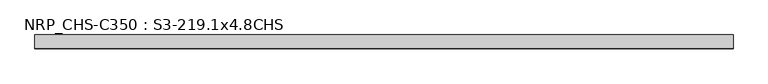
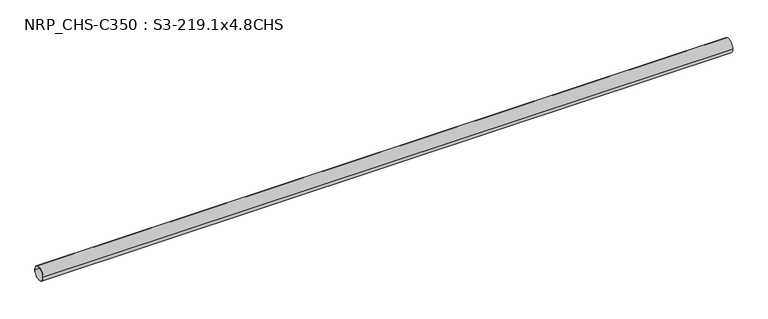
"""IFC4 building model written with IfcOpenShell, lengths in millimetres: beam geometry, NRP_CHS-C350 : S3-219.1x4.8CHS."""

from ifc_helpers import new_model, si_unit, point, frame, origin, origin_2d, place, context, project, spatial, circle_curve, trimmed, segment, composite_curve, outline, extrude, source, transform, mapped, element, save


def nrp_chs_c350_s3_219_1x4_8chs_c76e2309(model_context):
    return source(origin(), model_context, "Body", "SweptSolid", [
        extrude(outline(composite_curve([segment(trimmed(circle_curve(origin_2d(), 109.55), [point((-109.55, 0.0))], [point((109.55, 0.0))], False, "CARTESIAN"), True, "CONTINUOUS"), segment(trimmed(circle_curve(origin_2d(), 109.55), [point((109.55, 0.0))], [point((-109.55, 0.0))], False, "CARTESIAN"), True, "CONTINUOUS")], self_intersect=False), holes=[composite_curve([segment(trimmed(circle_curve(origin_2d(), 104.75), [point((104.75, 0.0))], [point((-104.75, 0.0))], True, "CARTESIAN"), True, "CONTINUOUS"), segment(trimmed(circle_curve(origin_2d(), 104.75), [point((-104.75, 0.0))], [point((104.75, 0.0))], True, "CARTESIAN"), True, "CONTINUOUS")], self_intersect=False)]), frame((-5522.8, 0.0, 0.0), z_axis=(1.0, 0.0, 0.0), x_axis=(0.0, 1.0, 0.0)), (0.0, 0.0, 1.0), 10962.2),
    ])


if __name__ == "__main__":
    model = new_model("IFC4")
    model_context = context("Model", 3, world=origin())
    ifc_project = project(units=[si_unit("LENGTHUNIT", "METRE", prefix="MILLI")], contexts=[model_context])
    site = spatial("IfcSite", under=ifc_project)
    building = spatial("IfcBuilding", under=site)
    placement = place(None, origin())
    nrp_chs_c350_s3_219_1x4_8chs_shape = nrp_chs_c350_s3_219_1x4_8chs_c76e2309(model_context)
    element("IfcBeam", 1, ObjectType="NRP_CHS-C350 : S3-219.1x4.8CHS", at=placement, inside=building, context=model_context, shape_type="MappedRepresentation", body=[
        mapped(nrp_chs_c350_s3_219_1x4_8chs_shape, transform((0.0, 0.0, 0.0), x_axis=(1.0, 0.0, 0.0), y_axis=(0.0, 1.0, 0.0), z_axis=(0.0, 0.0, 1.0))),
    ])
    save(model, "model.ifc")
